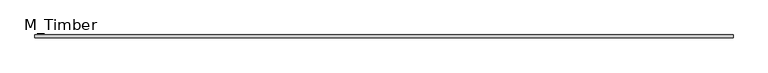
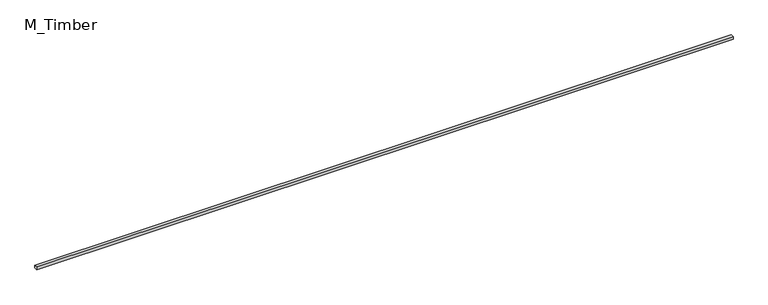
"""IFC4 building model written with IfcOpenShell, lengths in millimetres: beam geometry, M_Timber."""

from ifc_helpers import new_model, si_unit, frame, origin, place, context, project, spatial, polyline, outline, extrude, source, transform, mapped, element, save


def m_timber_e6d4ddb7(model_context):
    return source(origin(), model_context, "Body", "SweptSolid", [
        extrude(outline(polyline([(6974.2372951, 30.0), (6974.2372951, -30.0), (-6974.2372951, -30.0), (-6974.2372951, 30.0), (6974.2372951, 30.0)])), frame((0.0, 0.0, -30.0), z_axis=(0.0, 0.0, 1.0), x_axis=(1.0, 0.0, 0.0)), (0.0, 0.0, 1.0), 60.0),
    ])


if __name__ == "__main__":
    model = new_model("IFC4")
    model_context = context("Model", 3, world=origin())
    ifc_project = project(units=[si_unit("LENGTHUNIT", "METRE", prefix="MILLI")], contexts=[model_context])
    site = spatial("IfcSite", under=ifc_project)
    building = spatial("IfcBuilding", under=site)
    placement = place(None, origin())
    m_timber_shape = m_timber_e6d4ddb7(model_context)
    element("IfcBeam", 1, ObjectType="M_Timber", at=placement, inside=building, context=model_context, shape_type="MappedRepresentation", body=[
        mapped(m_timber_shape, transform((0.0, 0.0, 0.0), x_axis=(1.0, 0.0, 0.0), y_axis=(0.0, 1.0, 0.0), z_axis=(0.0, 0.0, 1.0))),
    ])
    save(model, "model.ifc")
